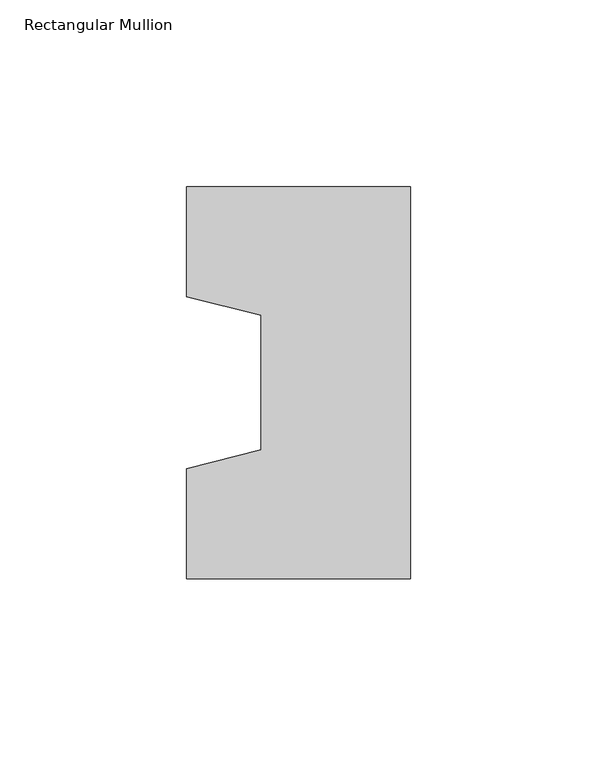
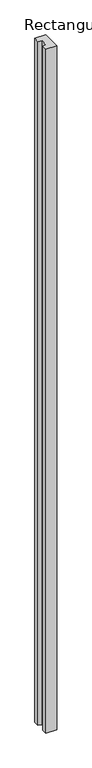
"""IFC4 building model written with IfcOpenShell, lengths in millimetres: column geometry, Rectangular Mullion."""

import ifcopenshell
import ifcopenshell.guid

model = None  # the IFC model being written
_history = None  # IfcOwnerHistory: only IFC2X3 demands one
_inside = {}  # id of a spatial element -> (the spatial element, [elements in it])
_under = {}  # id of a project, library or spatial element -> (it, [spatial elements below it])
_declared = {}  # id of a project -> (the project, [libraries it declares])
_typed = {}  # id of a type object -> (the type object, [elements of that type])
_made_of = {}  # id of a material, layer set ... -> (it, [elements and type objects made of it])


def new_model(schema):
    """Start an empty IFC model of exactly this schema.

    Asked for "IFC4X3", IfcOpenShell would pick the latest addendum, in which some entities
    have other attributes; the version numbers below select the first issue.
    IFC2X3 requires an IfcOwnerHistory on every rooted entity: one is made here for all.
    """
    global model, _history
    if schema == "IFC4X3":
        model = ifcopenshell.file(schema_version=(4, 3, 0, 0))
    else:
        model = ifcopenshell.file(schema=schema)
    _inside.clear()
    _under.clear()
    _declared.clear()
    _typed.clear()
    _made_of.clear()
    _history = None
    if model.schema == "IFC2X3":
        org = make("IfcOrganization", Name="unknown")
        user = make(
            "IfcPersonAndOrganization",
            ThePerson=make("IfcPerson", FamilyName="unknown"),
            TheOrganization=org,
        )
        app = make(
            "IfcApplication",
            ApplicationDeveloper=org,
            Version="unknown",
            ApplicationFullName="unknown",
            ApplicationIdentifier="unknown",
        )
        _history = make(
            "IfcOwnerHistory",
            OwningUser=user,
            OwningApplication=app,
            ChangeAction="ADDED",
            CreationDate=0,
        )
    return model


def make(cls, **values):
    """One entity of the class cls with the attributes given. An attribute that is None is left unset."""
    return model.create_entity(
        cls, **{name: value for name, value in values.items() if value is not None}
    )


def rooted(cls, **values):
    """An entity with a GlobalId (a new one), such as an element, a storey or a relation."""
    return make(cls, GlobalId=ifcopenshell.guid.new(), OwnerHistory=_history, **values)


def si_unit(unit_type, name, prefix=None):
    """IfcSIUnit, for example si_unit("LENGTHUNIT", "METRE", prefix="MILLI")."""
    return make("IfcSIUnit", UnitType=unit_type, Prefix=prefix, Name=name)


def assignment(units):
    """IfcUnitAssignment: the units of a project."""
    return None if units is None else make("IfcUnitAssignment", Units=units)


def point(xyz):
    """IfcCartesianPoint."""
    return None if xyz is None else make("IfcCartesianPoint", Coordinates=xyz)


def direction(xyz):
    """IfcDirection."""
    return None if xyz is None else make("IfcDirection", DirectionRatios=xyz)


def frame(location, z_axis=None, x_axis=None):
    """IfcAxis2Placement3D, a coordinate frame: its origin and axes. An axis left out is left unset."""
    return make(
        "IfcAxis2Placement3D",
        Location=point(location),
        Axis=direction(z_axis),
        RefDirection=direction(x_axis),
    )


def origin():
    """The frame at (0, 0, 0) with its axes left unset."""
    return frame((0.0, 0.0, 0.0))


def place(relative_to, where):
    """IfcLocalPlacement: puts the frame where relative to a parent placement (None: the world)."""
    return make(
        "IfcLocalPlacement", PlacementRelTo=relative_to, RelativePlacement=where
    )


def context(
    kind, dimensions, precision=None, world=None, true_north=None, identifier=None
):
    """IfcGeometricRepresentationContext, for example the 3D "Model" context."""
    return make(
        "IfcGeometricRepresentationContext",
        ContextIdentifier=identifier,
        ContextType=kind,
        CoordinateSpaceDimension=dimensions,
        Precision=precision,
        WorldCoordinateSystem=world,
        TrueNorth=true_north,
    )


def project(units=None, contexts=None):
    """IfcProject with its units and contexts."""
    return rooted(
        "IfcProject",
        Name="project",
        RepresentationContexts=contexts,
        UnitsInContext=assignment(units),
    )


def spatial(cls, under=None, at=None, **own):
    """A site, building, storey or space (cls), placed at a placement, below another one or the project."""
    s = rooted(cls, ObjectPlacement=at, **own)
    if under is not None:
        _under.setdefault(under.id(), (under, []))[1].append(s)
    return s


def polyline(points):
    """IfcPolyline through the points."""
    return make("IfcPolyline", Points=[point(p) for p in points])


def outline(outer, holes=None, kind="AREA"):
    """IfcArbitraryClosedProfileDef: a profile drawn as a closed curve; with holes, ...WithVoids."""
    if holes is None:
        return make("IfcArbitraryClosedProfileDef", ProfileType=kind, OuterCurve=outer)
    return make(
        "IfcArbitraryProfileDefWithVoids",
        ProfileType=kind,
        OuterCurve=outer,
        InnerCurves=holes,
    )


def extrude(swept, where, along, depth):
    """IfcExtrudedAreaSolid: the profile swept, set in the frame where, extruded along a direction by depth."""
    return make(
        "IfcExtrudedAreaSolid",
        SweptArea=swept,
        Position=where,
        ExtrudedDirection=direction(along),
        Depth=depth,
    )


def shape(context_of_items, identifier, shape_type, items):
    """IfcShapeRepresentation: the items that make up one representation, for example the "Body"."""
    return make(
        "IfcShapeRepresentation",
        ContextOfItems=context_of_items,
        RepresentationIdentifier=identifier,
        RepresentationType=shape_type,
        Items=items,
    )


def source(mapping_origin, context_of_items, identifier, shape_type, items):
    """IfcRepresentationMap: a shape defined once, which mapped items show again and again."""
    return make(
        "IfcRepresentationMap",
        MappingOrigin=mapping_origin,
        MappedRepresentation=shape(context_of_items, identifier, shape_type, items),
    )


def transform(
    local_origin,
    x_axis=None,
    y_axis=None,
    z_axis=None,
    scale=None,
    scale2=None,
    scale3=None,
    uniform=True,
):
    """IfcCartesianTransformationOperator3D, or its non-uniform kind. x_axis, y_axis, z_axis: its Axis1, 2, 3."""
    if uniform:
        return make(
            "IfcCartesianTransformationOperator3D",
            Axis1=direction(x_axis),
            Axis2=direction(y_axis),
            LocalOrigin=point(local_origin),
            Scale=scale,
            Axis3=direction(z_axis),
        )
    return make(
        "IfcCartesianTransformationOperator3DnonUniform",
        Axis1=direction(x_axis),
        Axis2=direction(y_axis),
        LocalOrigin=point(local_origin),
        Scale=scale,
        Axis3=direction(z_axis),
        Scale2=scale2,
        Scale3=scale3,
    )


def mapped(mapping_source, mapping_target):
    """IfcMappedItem: shows the shape of a source again, moved by a transform."""
    return make(
        "IfcMappedItem", MappingSource=mapping_source, MappingTarget=mapping_target
    )


def made_of(thing, what):
    """Note that an element or type object is made of a material, layer set ...; save() writes the relation."""
    if what is not None:
        _made_of.setdefault(what.id(), (what, []))[1].append(thing)
    return thing


def element(
    cls,
    number,
    at=None,
    inside=None,
    cuts=None,
    type_object=None,
    material=None,
    context=None,
    identifier="Body",
    shape_type=None,
    held_by="IfcProductDefinitionShape",
    body=None,
    shapes=None,
    **own,
):
    """One element of the class cls, such as IfcWall. Its Tag is "e" and its number.

    at: its placement. inside: the storey or other place that contains it. cuts: it is an
    opening in that element (IfcRelVoidsElement). A single representation is given by context,
    identifier, shape_type and body (its items); several are given by shapes. held_by: the class
    of the entity that holds the representations. save() writes the other relations.
    """
    e = rooted(cls, Tag="e%d" % number, ObjectPlacement=at, **own)
    if body is not None:
        shapes = [shape(context, identifier, shape_type, body)]
    if shapes is not None:
        e.Representation = make(held_by, Representations=shapes)
    if inside is not None:
        _inside.setdefault(inside.id(), (inside, []))[1].append(e)
    if cuts is not None:
        rooted(
            "IfcRelVoidsElement", RelatingBuildingElement=cuts, RelatedOpeningElement=e
        )
    if type_object is not None:
        _typed.setdefault(type_object.id(), (type_object, []))[1].append(e)
    return made_of(e, material)


def aggregate(whole, parts):
    """IfcRelAggregates: a whole, such as a stair, and the parts it consists of."""
    return rooted("IfcRelAggregates", RelatingObject=whole, RelatedObjects=parts)


def save(model, path):
    """Write the relations noted so far, then the file.

    IfcRelAggregates (storeys below a building ...), IfcRelContainedInSpatialStructure (elements
    in a storey), IfcRelDefinesByType, IfcRelAssociatesMaterial and IfcRelDeclares: one each for
    every whole, place, type object, material and project.
    """
    for whole, parts in _under.values():
        aggregate(whole, parts)
    for where, things in _inside.values():
        rooted(
            "IfcRelContainedInSpatialStructure",
            RelatedElements=things,
            RelatingStructure=where,
        )
    for kind, things in _typed.values():
        rooted("IfcRelDefinesByType", RelatedObjects=things, RelatingType=kind)
    for what, things in _made_of.values():
        rooted("IfcRelAssociatesMaterial", RelatedObjects=things, RelatingMaterial=what)
    for by, libraries in _declared.values():
        rooted("IfcRelDeclares", RelatingContext=by, RelatedDefinitions=libraries)
    model.write(path)


def rectangular_mullion_d67ac0ef(model_context):
    return source(origin(), model_context, "Body", "SweptSolid", [
        extrude(outline(polyline([(-60.0, 52.5), (0.0, 52.5), (0.0, -52.5), (-60.0, -52.5), (-60.0, -23.0), (-40.0, -18.0), (-40.0, 18.0), (-60.0, 23.0), (-60.0, 52.5)])), frame((0.0, 0.0, -4000.0), z_axis=(0.0, 0.0, 1.0), x_axis=(1.0, 0.0, 0.0)), (0.0, 0.0, 1.0), 4000.0),
    ])


if __name__ == "__main__":
    model = new_model("IFC4")
    model_context = context("Model", 3, world=origin())
    ifc_project = project(units=[si_unit("LENGTHUNIT", "METRE", prefix="MILLI")], contexts=[model_context])
    site = spatial("IfcSite", under=ifc_project)
    building = spatial("IfcBuilding", under=site)
    placement = place(None, origin())
    rectangular_mullion_shape = rectangular_mullion_d67ac0ef(model_context)
    element("IfcColumn", 1, ObjectType="Rectangular Mullion", at=placement, inside=building, context=model_context, shape_type="MappedRepresentation", body=[
        mapped(rectangular_mullion_shape, transform((0.0, 0.0, 0.0), x_axis=(1.0, 0.0, 0.0), y_axis=(0.0, 1.0, 0.0), z_axis=(0.0, 0.0, 1.0))),
    ])
    save(model, "model.ifc")
